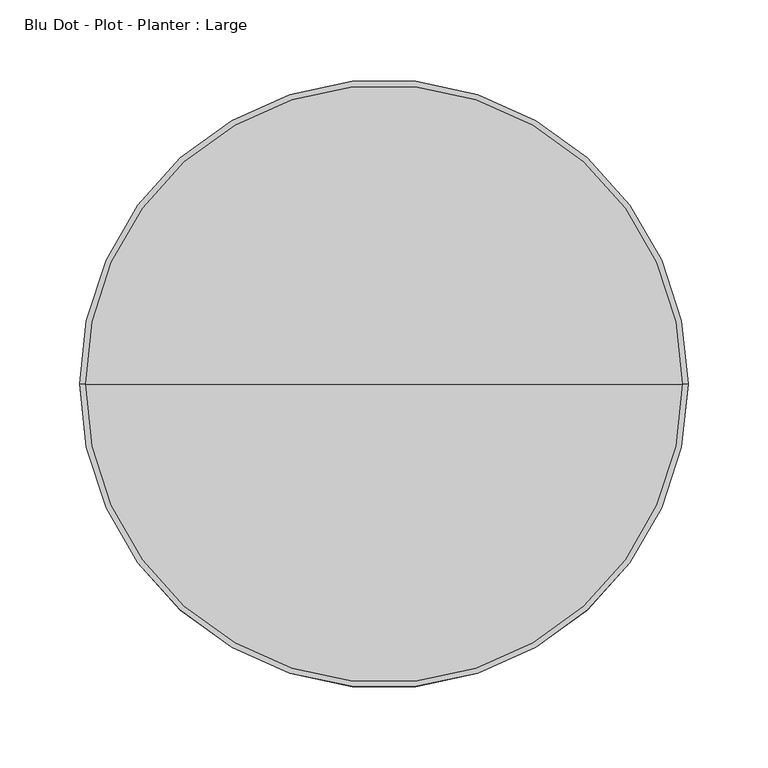
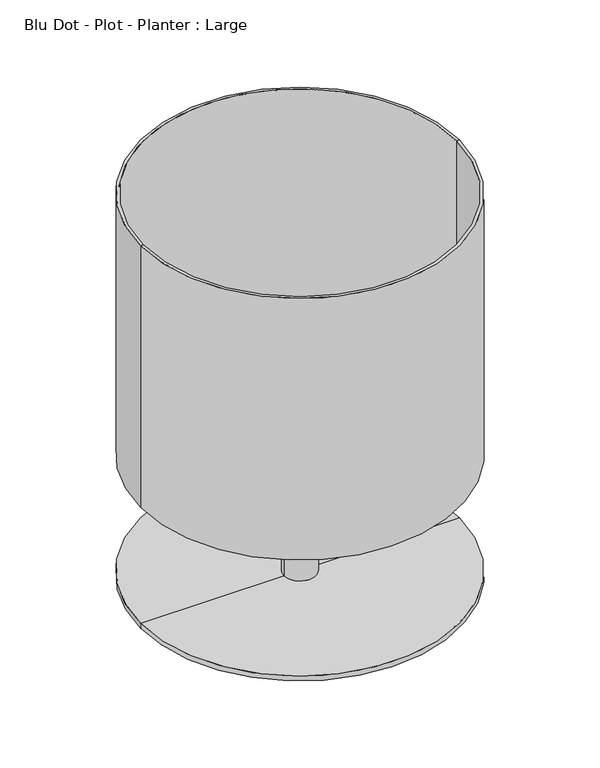
"""IFC4 building model written with IfcOpenShell, lengths in millimetres: furniture geometry, Blu Dot - Plot - Planter : Large."""

import ifcopenshell
import ifcopenshell.guid

model = None  # the IFC model being written
_history = None  # IfcOwnerHistory: only IFC2X3 demands one
_inside = {}  # id of a spatial element -> (the spatial element, [elements in it])
_under = {}  # id of a project, library or spatial element -> (it, [spatial elements below it])
_declared = {}  # id of a project -> (the project, [libraries it declares])
_typed = {}  # id of a type object -> (the type object, [elements of that type])
_made_of = {}  # id of a material, layer set ... -> (it, [elements and type objects made of it])


def new_model(schema):
    """Start an empty IFC model of exactly this schema.

    Asked for "IFC4X3", IfcOpenShell would pick the latest addendum, in which some entities
    have other attributes; the version numbers below select the first issue.
    IFC2X3 requires an IfcOwnerHistory on every rooted entity: one is made here for all.
    """
    global model, _history
    if schema == "IFC4X3":
        model = ifcopenshell.file(schema_version=(4, 3, 0, 0))
    else:
        model = ifcopenshell.file(schema=schema)
    _inside.clear()
    _under.clear()
    _declared.clear()
    _typed.clear()
    _made_of.clear()
    _history = None
    if model.schema == "IFC2X3":
        org = make("IfcOrganization", Name="unknown")
        user = make(
            "IfcPersonAndOrganization",
            ThePerson=make("IfcPerson", FamilyName="unknown"),
            TheOrganization=org,
        )
        app = make(
            "IfcApplication",
            ApplicationDeveloper=org,
            Version="unknown",
            ApplicationFullName="unknown",
            ApplicationIdentifier="unknown",
        )
        _history = make(
            "IfcOwnerHistory",
            OwningUser=user,
            OwningApplication=app,
            ChangeAction="ADDED",
            CreationDate=0,
        )
    return model


def make(cls, **values):
    """One entity of the class cls with the attributes given. An attribute that is None is left unset."""
    return model.create_entity(
        cls, **{name: value for name, value in values.items() if value is not None}
    )


def rooted(cls, **values):
    """An entity with a GlobalId (a new one), such as an element, a storey or a relation."""
    return make(cls, GlobalId=ifcopenshell.guid.new(), OwnerHistory=_history, **values)


def si_unit(unit_type, name, prefix=None):
    """IfcSIUnit, for example si_unit("LENGTHUNIT", "METRE", prefix="MILLI")."""
    return make("IfcSIUnit", UnitType=unit_type, Prefix=prefix, Name=name)


def assignment(units):
    """IfcUnitAssignment: the units of a project."""
    return None if units is None else make("IfcUnitAssignment", Units=units)


def point(xyz):
    """IfcCartesianPoint."""
    return None if xyz is None else make("IfcCartesianPoint", Coordinates=xyz)


def direction(xyz):
    """IfcDirection."""
    return None if xyz is None else make("IfcDirection", DirectionRatios=xyz)


def frame(location, z_axis=None, x_axis=None):
    """IfcAxis2Placement3D, a coordinate frame: its origin and axes. An axis left out is left unset."""
    return make(
        "IfcAxis2Placement3D",
        Location=point(location),
        Axis=direction(z_axis),
        RefDirection=direction(x_axis),
    )


def origin():
    """The frame at (0, 0, 0) with its axes left unset."""
    return frame((0.0, 0.0, 0.0))


def place(relative_to, where):
    """IfcLocalPlacement: puts the frame where relative to a parent placement (None: the world)."""
    return make(
        "IfcLocalPlacement", PlacementRelTo=relative_to, RelativePlacement=where
    )


def context(
    kind, dimensions, precision=None, world=None, true_north=None, identifier=None
):
    """IfcGeometricRepresentationContext, for example the 3D "Model" context."""
    return make(
        "IfcGeometricRepresentationContext",
        ContextIdentifier=identifier,
        ContextType=kind,
        CoordinateSpaceDimension=dimensions,
        Precision=precision,
        WorldCoordinateSystem=world,
        TrueNorth=true_north,
    )


def project(units=None, contexts=None):
    """IfcProject with its units and contexts."""
    return rooted(
        "IfcProject",
        Name="project",
        RepresentationContexts=contexts,
        UnitsInContext=assignment(units),
    )


def spatial(cls, under=None, at=None, **own):
    """A site, building, storey or space (cls), placed at a placement, below another one or the project."""
    s = rooted(cls, ObjectPlacement=at, **own)
    if under is not None:
        _under.setdefault(under.id(), (under, []))[1].append(s)
    return s


def polyline(points):
    """IfcPolyline through the points."""
    return make("IfcPolyline", Points=[point(p) for p in points])


def circle_curve(where, radius):
    """IfcCircle in the frame where."""
    return make("IfcCircle", Position=where, Radius=radius)


def shape(context_of_items, identifier, shape_type, items):
    """IfcShapeRepresentation: the items that make up one representation, for example the "Body"."""
    return make(
        "IfcShapeRepresentation",
        ContextOfItems=context_of_items,
        RepresentationIdentifier=identifier,
        RepresentationType=shape_type,
        Items=items,
    )


def source(mapping_origin, context_of_items, identifier, shape_type, items):
    """IfcRepresentationMap: a shape defined once, which mapped items show again and again."""
    return make(
        "IfcRepresentationMap",
        MappingOrigin=mapping_origin,
        MappedRepresentation=shape(context_of_items, identifier, shape_type, items),
    )


def transform(
    local_origin,
    x_axis=None,
    y_axis=None,
    z_axis=None,
    scale=None,
    scale2=None,
    scale3=None,
    uniform=True,
):
    """IfcCartesianTransformationOperator3D, or its non-uniform kind. x_axis, y_axis, z_axis: its Axis1, 2, 3."""
    if uniform:
        return make(
            "IfcCartesianTransformationOperator3D",
            Axis1=direction(x_axis),
            Axis2=direction(y_axis),
            LocalOrigin=point(local_origin),
            Scale=scale,
            Axis3=direction(z_axis),
        )
    return make(
        "IfcCartesianTransformationOperator3DnonUniform",
        Axis1=direction(x_axis),
        Axis2=direction(y_axis),
        LocalOrigin=point(local_origin),
        Scale=scale,
        Axis3=direction(z_axis),
        Scale2=scale2,
        Scale3=scale3,
    )


def mapped(mapping_source, mapping_target):
    """IfcMappedItem: shows the shape of a source again, moved by a transform."""
    return make(
        "IfcMappedItem", MappingSource=mapping_source, MappingTarget=mapping_target
    )


def made_of(thing, what):
    """Note that an element or type object is made of a material, layer set ...; save() writes the relation."""
    if what is not None:
        _made_of.setdefault(what.id(), (what, []))[1].append(thing)
    return thing


def element(
    cls,
    number,
    at=None,
    inside=None,
    cuts=None,
    type_object=None,
    material=None,
    context=None,
    identifier="Body",
    shape_type=None,
    held_by="IfcProductDefinitionShape",
    body=None,
    shapes=None,
    **own,
):
    """One element of the class cls, such as IfcWall. Its Tag is "e" and its number.

    at: its placement. inside: the storey or other place that contains it. cuts: it is an
    opening in that element (IfcRelVoidsElement). A single representation is given by context,
    identifier, shape_type and body (its items); several are given by shapes. held_by: the class
    of the entity that holds the representations. save() writes the other relations.
    """
    e = rooted(cls, Tag="e%d" % number, ObjectPlacement=at, **own)
    if body is not None:
        shapes = [shape(context, identifier, shape_type, body)]
    if shapes is not None:
        e.Representation = make(held_by, Representations=shapes)
    if inside is not None:
        _inside.setdefault(inside.id(), (inside, []))[1].append(e)
    if cuts is not None:
        rooted(
            "IfcRelVoidsElement", RelatingBuildingElement=cuts, RelatedOpeningElement=e
        )
    if type_object is not None:
        _typed.setdefault(type_object.id(), (type_object, []))[1].append(e)
    return made_of(e, material)


def aggregate(whole, parts):
    """IfcRelAggregates: a whole, such as a stair, and the parts it consists of."""
    return rooted("IfcRelAggregates", RelatingObject=whole, RelatedObjects=parts)


def save(model, path):
    """Write the relations noted so far, then the file.

    IfcRelAggregates (storeys below a building ...), IfcRelContainedInSpatialStructure (elements
    in a storey), IfcRelDefinesByType, IfcRelAssociatesMaterial and IfcRelDeclares: one each for
    every whole, place, type object, material and project.
    """
    for whole, parts in _under.values():
        aggregate(whole, parts)
    for where, things in _inside.values():
        rooted(
            "IfcRelContainedInSpatialStructure",
            RelatedElements=things,
            RelatingStructure=where,
        )
    for kind, things in _typed.values():
        rooted("IfcRelDefinesByType", RelatedObjects=things, RelatingType=kind)
    for what, things in _made_of.values():
        rooted("IfcRelAssociatesMaterial", RelatedObjects=things, RelatingMaterial=what)
    for by, libraries in _declared.values():
        rooted("IfcRelDeclares", RelatingContext=by, RelatedDefinitions=libraries)
    model.write(path)


def plane_surface(at):
    """IfcPlane: the flat surface through the origin of the frame at, square to its z axis."""
    return make("IfcPlane", Position=at)


def cylinder_surface(at, radius):
    """IfcCylindricalSurface: all points at the distance radius from the z axis of the frame at."""
    return make("IfcCylindricalSurface", Position=at, Radius=radius)


def revolved_surface(curve, axis_point, axis_direction):
    """IfcSurfaceOfRevolution: the curve turned about the line through axis_point along axis_direction."""
    return make(
        "IfcSurfaceOfRevolution",
        SweptCurve=make("IfcArbitraryOpenProfileDef", ProfileType="CURVE", Curve=curve),
        AxisPosition=make("IfcAxis1Placement", Location=point(axis_point), Axis=direction(axis_direction)),
    )


def advanced_brep(points, edges, surfaces, faces):
    """IfcAdvancedBrep: a solid bounded by faces that lie on surfaces and meet in shared edges.

    An edge is (start, end): straight between two places in points (the first is 0);
    or (start, end, curve); or (start, end, curve, False) where it runs against its curve.
    A face is (place in surfaces, loops), or (place, loops, False) where it looks against
    its surface's normal. A loop lists edges by number (the first is 1), with a minus sign
    where the edge is run from its end to its start. The first loop is the outer one.
    """
    corners = [point(p) for p in points]
    vertices = [make("IfcVertexPoint", VertexGeometry=c) for c in corners]
    made = []
    for start, end, *more in edges:
        made.append(
            make(
                "IfcEdgeCurve",
                EdgeStart=vertices[start],
                EdgeEnd=vertices[end],
                EdgeGeometry=more[0] if more else make("IfcPolyline", Points=[corners[start], corners[end]]),
                SameSense=more[1] if len(more) > 1 else True,
            )
        )
    hull = []
    for where, loops, *sense in faces:
        bounds = []
        for j, loop in enumerate(loops):
            ring = [make("IfcOrientedEdge", EdgeElement=made[abs(k) - 1], Orientation=k > 0) for k in loop]
            bounds.append(
                make(
                    "IfcFaceOuterBound" if j == 0 else "IfcFaceBound",
                    Bound=make("IfcEdgeLoop", EdgeList=ring),
                    Orientation=True,
                )
            )
        hull.append(make("IfcAdvancedFace", Bounds=bounds, FaceSurface=surfaces[where], SameSense=sense[0] if sense else True))
    return make("IfcAdvancedBrep", Outer=make("IfcClosedShell", CfsFaces=hull))


def blu_dot_plot_planter_large_0f1a9f09(model_context):
    return source(origin(), model_context, "Body", "AdvancedBrep", [
        advanced_brep(
        [(187.198, 0.0, 152.4), (-187.198, 0.0, 152.4), (-190.5, 0.0, 152.4), (190.5, 0.0, 152.4), (187.198, 0.0, 176.276), (-187.198, 0.0, 176.276), (19.05, 0.0, 176.276), (-19.05, 0.0, 176.276), (187.198, 0.0, 185.42), (-187.198, 0.0, 185.42), (0.0, 0.0, 185.42), (187.198, 0.0, 482.6), (-187.198, 0.0, 482.6), (190.5, 0.0, 482.6), (-190.5, 0.0, 482.6), (19.05, 0.0, 6.096), (-19.05, 0.0, 6.096), (190.5, 0.0, 6.096), (-190.5, 0.0, 6.096), (190.5, 0.0, 0.0), (-190.5, 0.0, 0.0), (0.0, 0.0, 0.0)],
        [
            (0, 1, circle_curve(frame((0.0, 0.0, 152.4), z_axis=(0.0, 0.0, 1.0), x_axis=(-1.0, 0.0, 0.0)), 187.198)),
            (1, 2),
            (2, 3, circle_curve(frame((0.0, 0.0, 152.4), z_axis=(0.0, 0.0, -1.0), x_axis=(-1.0, 0.0, 0.0)), 190.5)),
            (3, 0),
            (1, 0, circle_curve(frame((0.0, 0.0, 152.4), z_axis=(0.0, 0.0, 1.0), x_axis=(-1.0, 0.0, 0.0)), 187.198)),
            (3, 2, circle_curve(frame((0.0, 0.0, 152.4), z_axis=(0.0, 0.0, -1.0), x_axis=(-1.0, 0.0, 0.0)), 190.5)),
            (4, 5, circle_curve(frame((0.0, 0.0, 176.276), z_axis=(0.0, 0.0, 1.0), x_axis=(-1.0, 0.0, 0.0)), 187.198)),
            (5, 1),
            (0, 4),
            (5, 4, circle_curve(frame((0.0, 0.0, 176.276), z_axis=(0.0, 0.0, 1.0), x_axis=(-1.0, 0.0, 0.0)), 187.198)),
            (6, 7, circle_curve(frame((0.0, 0.0, 176.276), z_axis=(0.0, 0.0, 1.0), x_axis=(-1.0, 0.0, 0.0)), 19.05)),
            (7, 5),
            (4, 6),
            (7, 6, circle_curve(frame((0.0, 0.0, 176.276), z_axis=(0.0, 0.0, 1.0), x_axis=(-1.0, 0.0, 0.0)), 19.05)),
            (8, 9, circle_curve(frame((0.0, 0.0, 185.42), z_axis=(0.0, 0.0, 1.0), x_axis=(-1.0, 0.0, 0.0)), 187.198)),
            (9, 10),
            (10, 8),
            (9, 8, circle_curve(frame((0.0, 0.0, 185.42), z_axis=(0.0, 0.0, 1.0), x_axis=(-1.0, 0.0, 0.0)), 187.198)),
            (11, 12, circle_curve(frame((0.0, 0.0, 482.6), z_axis=(0.0, 0.0, 1.0), x_axis=(-1.0, 0.0, 0.0)), 187.198)),
            (12, 9),
            (8, 11),
            (12, 11, circle_curve(frame((0.0, 0.0, 482.6), z_axis=(0.0, 0.0, 1.0), x_axis=(-1.0, 0.0, 0.0)), 187.198)),
            (13, 14, circle_curve(frame((0.0, 0.0, 482.6), z_axis=(0.0, 0.0, 1.0), x_axis=(-1.0, 0.0, 0.0)), 190.5)),
            (14, 12),
            (11, 13),
            (14, 13, circle_curve(frame((0.0, 0.0, 482.6), z_axis=(0.0, 0.0, 1.0), x_axis=(-1.0, 0.0, 0.0)), 190.5)),
            (2, 14),
            (13, 3),
            (15, 16, circle_curve(frame((0.0, 0.0, 6.096), z_axis=(0.0, 0.0, 1.0), x_axis=(-1.0, 0.0, 0.0)), 19.05)),
            (16, 7),
            (6, 15),
            (16, 15, circle_curve(frame((0.0, 0.0, 6.096), z_axis=(0.0, 0.0, 1.0), x_axis=(-1.0, 0.0, 0.0)), 19.05)),
            (17, 18, circle_curve(frame((0.0, 0.0, 6.096), z_axis=(0.0, 0.0, 1.0), x_axis=(-1.0, 0.0, 0.0)), 190.5)),
            (18, 16),
            (15, 17),
            (18, 17, circle_curve(frame((0.0, 0.0, 6.096), z_axis=(0.0, 0.0, 1.0), x_axis=(-1.0, 0.0, 0.0)), 190.5)),
            (19, 20, circle_curve(frame((0.0, 0.0, 0.0), z_axis=(0.0, 0.0, 1.0), x_axis=(-1.0, 0.0, 0.0)), 190.5)),
            (20, 18),
            (17, 19),
            (20, 19, circle_curve(frame((0.0, 0.0, 0.0), z_axis=(0.0, 0.0, 1.0), x_axis=(-1.0, 0.0, 0.0)), 190.5)),
            (21, 20),
            (19, 21),
        ],
        [
            plane_surface(frame((0.0, 0.0, 152.4), z_axis=(0.0, 0.0, -1.0), x_axis=(-1.0, 0.0, 0.0))),
            revolved_surface(polyline([(-187.198, 0.0, 152.39999999999998), (-187.198, 0.0, 176.276)]), (0.0, 0.0, 577.85), (0.0, 0.0, -1.0)),
            plane_surface(frame((0.0, 0.0, 176.276), z_axis=(0.0, 0.0, -1.0), x_axis=(-1.0, 0.0, 0.0))),
            plane_surface(frame((0.0, 0.0, 185.42), z_axis=(0.0, 0.0, 1.0), x_axis=(-1.0, 0.0, 0.0))),
            revolved_surface(polyline([(-187.198, 0.0, 185.41999999999996), (-187.198, 0.0, 482.6)]), (0.0, 0.0, 577.85), (0.0, 0.0, -1.0)),
            plane_surface(frame((0.0, 0.0, 482.6), z_axis=(0.0, 0.0, 1.0), x_axis=(-1.0, 0.0, 0.0))),
            cylinder_surface(frame((0.0, 0.0, 577.85), z_axis=(0.0, 0.0, -1.0), x_axis=(-1.0, 0.0, 0.0)), 190.5),
            cylinder_surface(frame((0.0, 0.0, 577.85), z_axis=(0.0, 0.0, -1.0), x_axis=(-1.0, 0.0, 0.0)), 19.05),
            plane_surface(frame((0.0, 0.0, 6.096), z_axis=(0.0, 0.0, 1.0), x_axis=(-1.0, 0.0, 0.0))),
            plane_surface(frame((0.0, 0.0, 0.0), z_axis=(0.0, 0.0, -1.0), x_axis=(-1.0, 0.0, 0.0))),
        ],
        [
            (0, [[1, 2, 3, 4]]),
            (0, [[5, -4, 6, -2]]),
            (1, [[7, 8, -1, 9]]),
            (1, [[10, -9, -5, -8]]),
            (2, [[11, 12, -7, 13]]),
            (2, [[14, -13, -10, -12]]),
            (3, [[15, 16, 17]]),
            (3, [[18, -17, -16]]),
            (4, [[19, 20, -15, 21]]),
            (4, [[22, -21, -18, -20]]),
            (5, [[23, 24, -19, 25]]),
            (5, [[26, -25, -22, -24]]),
            (6, [[-3, 27, -23, 28]]),
            (6, [[-6, -28, -26, -27]]),
            (7, [[29, 30, -11, 31]]),
            (7, [[32, -31, -14, -30]]),
            (8, [[33, 34, -29, 35]]),
            (8, [[36, -35, -32, -34]]),
            (6, [[37, 38, -33, 39]]),
            (6, [[40, -39, -36, -38]]),
            (9, [[41, -37, 42]]),
            (9, [[-42, -40, -41]]),
        ],
    ),
    ])


if __name__ == "__main__":
    model = new_model("IFC4")
    model_context = context("Model", 3, world=origin())
    ifc_project = project(units=[si_unit("LENGTHUNIT", "METRE", prefix="MILLI")], contexts=[model_context])
    site = spatial("IfcSite", under=ifc_project)
    building = spatial("IfcBuilding", under=site)
    placement = place(None, origin())
    blu_dot_plot_planter_large_shape = blu_dot_plot_planter_large_0f1a9f09(model_context)
    element("IfcFurniture", 1, ObjectType="Blu Dot - Plot - Planter : Large", at=placement, inside=building, context=model_context, shape_type="MappedRepresentation", body=[
        mapped(blu_dot_plot_planter_large_shape, transform((0.0, 0.0, 0.0), x_axis=(1.0, 0.0, 0.0), y_axis=(0.0, 1.0, 0.0), z_axis=(0.0, 0.0, 1.0))),
    ])
    save(model, "model.ifc")
